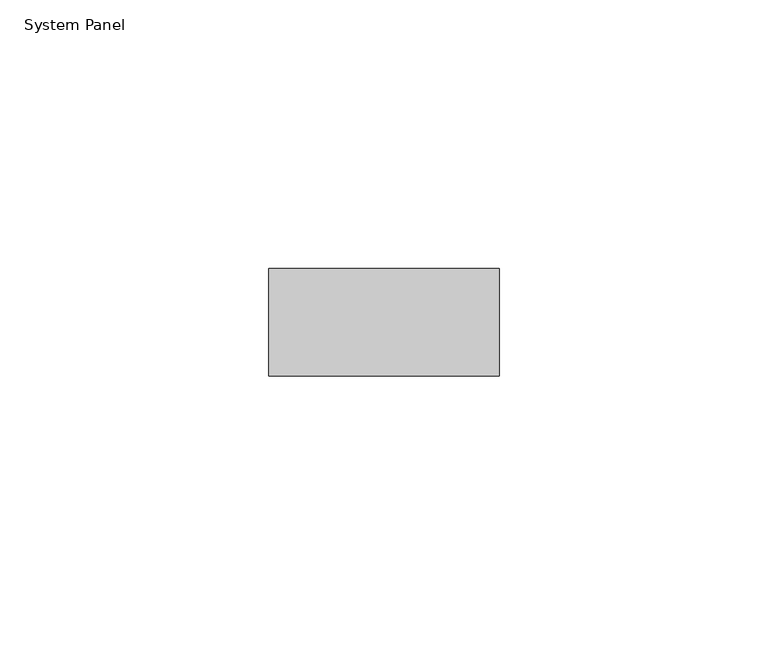
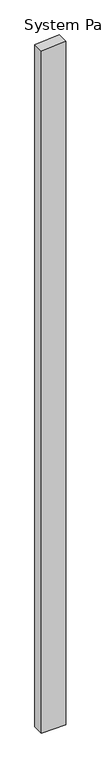
"""IFC4 building model written with IfcOpenShell, lengths in millimetres: plate geometry, System Panel."""

import ifcopenshell
import ifcopenshell.guid

model = None  # the IFC model being written
_history = None  # IfcOwnerHistory: only IFC2X3 demands one
_inside = {}  # id of a spatial element -> (the spatial element, [elements in it])
_under = {}  # id of a project, library or spatial element -> (it, [spatial elements below it])
_declared = {}  # id of a project -> (the project, [libraries it declares])
_typed = {}  # id of a type object -> (the type object, [elements of that type])
_made_of = {}  # id of a material, layer set ... -> (it, [elements and type objects made of it])


def new_model(schema):
    """Start an empty IFC model of exactly this schema.

    Asked for "IFC4X3", IfcOpenShell would pick the latest addendum, in which some entities
    have other attributes; the version numbers below select the first issue.
    IFC2X3 requires an IfcOwnerHistory on every rooted entity: one is made here for all.
    """
    global model, _history
    if schema == "IFC4X3":
        model = ifcopenshell.file(schema_version=(4, 3, 0, 0))
    else:
        model = ifcopenshell.file(schema=schema)
    _inside.clear()
    _under.clear()
    _declared.clear()
    _typed.clear()
    _made_of.clear()
    _history = None
    if model.schema == "IFC2X3":
        org = make("IfcOrganization", Name="unknown")
        user = make(
            "IfcPersonAndOrganization",
            ThePerson=make("IfcPerson", FamilyName="unknown"),
            TheOrganization=org,
        )
        app = make(
            "IfcApplication",
            ApplicationDeveloper=org,
            Version="unknown",
            ApplicationFullName="unknown",
            ApplicationIdentifier="unknown",
        )
        _history = make(
            "IfcOwnerHistory",
            OwningUser=user,
            OwningApplication=app,
            ChangeAction="ADDED",
            CreationDate=0,
        )
    return model


def make(cls, **values):
    """One entity of the class cls with the attributes given. An attribute that is None is left unset."""
    return model.create_entity(
        cls, **{name: value for name, value in values.items() if value is not None}
    )


def rooted(cls, **values):
    """An entity with a GlobalId (a new one), such as an element, a storey or a relation."""
    return make(cls, GlobalId=ifcopenshell.guid.new(), OwnerHistory=_history, **values)


def si_unit(unit_type, name, prefix=None):
    """IfcSIUnit, for example si_unit("LENGTHUNIT", "METRE", prefix="MILLI")."""
    return make("IfcSIUnit", UnitType=unit_type, Prefix=prefix, Name=name)


def assignment(units):
    """IfcUnitAssignment: the units of a project."""
    return None if units is None else make("IfcUnitAssignment", Units=units)


def point(xyz):
    """IfcCartesianPoint."""
    return None if xyz is None else make("IfcCartesianPoint", Coordinates=xyz)


def direction(xyz):
    """IfcDirection."""
    return None if xyz is None else make("IfcDirection", DirectionRatios=xyz)


def frame(location, z_axis=None, x_axis=None):
    """IfcAxis2Placement3D, a coordinate frame: its origin and axes. An axis left out is left unset."""
    return make(
        "IfcAxis2Placement3D",
        Location=point(location),
        Axis=direction(z_axis),
        RefDirection=direction(x_axis),
    )


def origin():
    """The frame at (0, 0, 0) with its axes left unset."""
    return frame((0.0, 0.0, 0.0))


def place(relative_to, where):
    """IfcLocalPlacement: puts the frame where relative to a parent placement (None: the world)."""
    return make(
        "IfcLocalPlacement", PlacementRelTo=relative_to, RelativePlacement=where
    )


def context(
    kind, dimensions, precision=None, world=None, true_north=None, identifier=None
):
    """IfcGeometricRepresentationContext, for example the 3D "Model" context."""
    return make(
        "IfcGeometricRepresentationContext",
        ContextIdentifier=identifier,
        ContextType=kind,
        CoordinateSpaceDimension=dimensions,
        Precision=precision,
        WorldCoordinateSystem=world,
        TrueNorth=true_north,
    )


def project(units=None, contexts=None):
    """IfcProject with its units and contexts."""
    return rooted(
        "IfcProject",
        Name="project",
        RepresentationContexts=contexts,
        UnitsInContext=assignment(units),
    )


def spatial(cls, under=None, at=None, **own):
    """A site, building, storey or space (cls), placed at a placement, below another one or the project."""
    s = rooted(cls, ObjectPlacement=at, **own)
    if under is not None:
        _under.setdefault(under.id(), (under, []))[1].append(s)
    return s


def polyline(points):
    """IfcPolyline through the points."""
    return make("IfcPolyline", Points=[point(p) for p in points])


def outline(outer, holes=None, kind="AREA"):
    """IfcArbitraryClosedProfileDef: a profile drawn as a closed curve; with holes, ...WithVoids."""
    if holes is None:
        return make("IfcArbitraryClosedProfileDef", ProfileType=kind, OuterCurve=outer)
    return make(
        "IfcArbitraryProfileDefWithVoids",
        ProfileType=kind,
        OuterCurve=outer,
        InnerCurves=holes,
    )


def extrude(swept, where, along, depth):
    """IfcExtrudedAreaSolid: the profile swept, set in the frame where, extruded along a direction by depth."""
    return make(
        "IfcExtrudedAreaSolid",
        SweptArea=swept,
        Position=where,
        ExtrudedDirection=direction(along),
        Depth=depth,
    )


def shape(context_of_items, identifier, shape_type, items):
    """IfcShapeRepresentation: the items that make up one representation, for example the "Body"."""
    return make(
        "IfcShapeRepresentation",
        ContextOfItems=context_of_items,
        RepresentationIdentifier=identifier,
        RepresentationType=shape_type,
        Items=items,
    )


def source(mapping_origin, context_of_items, identifier, shape_type, items):
    """IfcRepresentationMap: a shape defined once, which mapped items show again and again."""
    return make(
        "IfcRepresentationMap",
        MappingOrigin=mapping_origin,
        MappedRepresentation=shape(context_of_items, identifier, shape_type, items),
    )


def transform(
    local_origin,
    x_axis=None,
    y_axis=None,
    z_axis=None,
    scale=None,
    scale2=None,
    scale3=None,
    uniform=True,
):
    """IfcCartesianTransformationOperator3D, or its non-uniform kind. x_axis, y_axis, z_axis: its Axis1, 2, 3."""
    if uniform:
        return make(
            "IfcCartesianTransformationOperator3D",
            Axis1=direction(x_axis),
            Axis2=direction(y_axis),
            LocalOrigin=point(local_origin),
            Scale=scale,
            Axis3=direction(z_axis),
        )
    return make(
        "IfcCartesianTransformationOperator3DnonUniform",
        Axis1=direction(x_axis),
        Axis2=direction(y_axis),
        LocalOrigin=point(local_origin),
        Scale=scale,
        Axis3=direction(z_axis),
        Scale2=scale2,
        Scale3=scale3,
    )


def mapped(mapping_source, mapping_target):
    """IfcMappedItem: shows the shape of a source again, moved by a transform."""
    return make(
        "IfcMappedItem", MappingSource=mapping_source, MappingTarget=mapping_target
    )


def made_of(thing, what):
    """Note that an element or type object is made of a material, layer set ...; save() writes the relation."""
    if what is not None:
        _made_of.setdefault(what.id(), (what, []))[1].append(thing)
    return thing


def element(
    cls,
    number,
    at=None,
    inside=None,
    cuts=None,
    type_object=None,
    material=None,
    context=None,
    identifier="Body",
    shape_type=None,
    held_by="IfcProductDefinitionShape",
    body=None,
    shapes=None,
    **own,
):
    """One element of the class cls, such as IfcWall. Its Tag is "e" and its number.

    at: its placement. inside: the storey or other place that contains it. cuts: it is an
    opening in that element (IfcRelVoidsElement). A single representation is given by context,
    identifier, shape_type and body (its items); several are given by shapes. held_by: the class
    of the entity that holds the representations. save() writes the other relations.
    """
    e = rooted(cls, Tag="e%d" % number, ObjectPlacement=at, **own)
    if body is not None:
        shapes = [shape(context, identifier, shape_type, body)]
    if shapes is not None:
        e.Representation = make(held_by, Representations=shapes)
    if inside is not None:
        _inside.setdefault(inside.id(), (inside, []))[1].append(e)
    if cuts is not None:
        rooted(
            "IfcRelVoidsElement", RelatingBuildingElement=cuts, RelatedOpeningElement=e
        )
    if type_object is not None:
        _typed.setdefault(type_object.id(), (type_object, []))[1].append(e)
    return made_of(e, material)


def aggregate(whole, parts):
    """IfcRelAggregates: a whole, such as a stair, and the parts it consists of."""
    return rooted("IfcRelAggregates", RelatingObject=whole, RelatedObjects=parts)


def save(model, path):
    """Write the relations noted so far, then the file.

    IfcRelAggregates (storeys below a building ...), IfcRelContainedInSpatialStructure (elements
    in a storey), IfcRelDefinesByType, IfcRelAssociatesMaterial and IfcRelDeclares: one each for
    every whole, place, type object, material and project.
    """
    for whole, parts in _under.values():
        aggregate(whole, parts)
    for where, things in _inside.values():
        rooted(
            "IfcRelContainedInSpatialStructure",
            RelatedElements=things,
            RelatingStructure=where,
        )
    for kind, things in _typed.values():
        rooted("IfcRelDefinesByType", RelatedObjects=things, RelatingType=kind)
    for what, things in _made_of.values():
        rooted("IfcRelAssociatesMaterial", RelatedObjects=things, RelatingMaterial=what)
    for by, libraries in _declared.values():
        rooted("IfcRelDeclares", RelatingContext=by, RelatedDefinitions=libraries)
    model.write(path)


def system_panel_02d6fc19(model_context):
    return source(origin(), model_context, "Body", "SweptSolid", [
        extrude(outline(polyline([(0.0, -21.4228488), (0.0, 21.4228488), (1266.1523123, 21.4228488), (1262.9986619, -21.4228488), (0.0, -21.4228488)])), frame((0.0, -10.0, 0.0), z_axis=(0.0, 1.0, 0.0), x_axis=(0.0, 0.0, 1.0)), (0.0, 0.0, 1.0), 20.0),
    ])


if __name__ == "__main__":
    model = new_model("IFC4")
    model_context = context("Model", 3, world=origin())
    ifc_project = project(units=[si_unit("LENGTHUNIT", "METRE", prefix="MILLI")], contexts=[model_context])
    site = spatial("IfcSite", under=ifc_project)
    building = spatial("IfcBuilding", under=site)
    placement = place(None, origin())
    system_panel_shape = system_panel_02d6fc19(model_context)
    element("IfcPlate", 1, ObjectType="System Panel", at=placement, inside=building, context=model_context, shape_type="MappedRepresentation", body=[
        mapped(system_panel_shape, transform((0.0, 0.0, 0.0), x_axis=(1.0, 0.0, 0.0), y_axis=(0.0, 1.0, 0.0), z_axis=(0.0, 0.0, 1.0))),
    ])
    save(model, "model.ifc")
